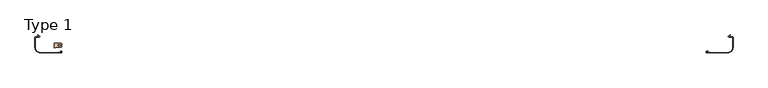
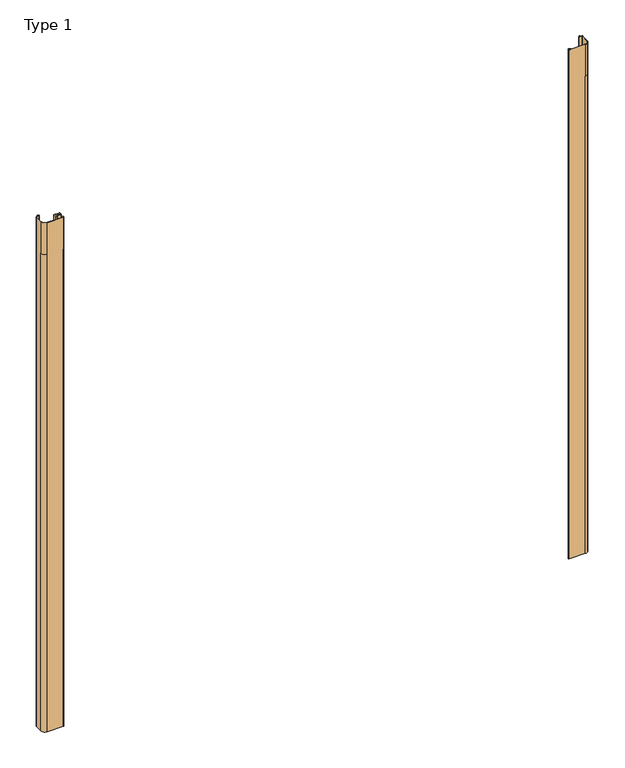
"""IFC4 building model written with IfcOpenShell, lengths in millimetres: door geometry, Type 1."""

from ifc_helpers import new_model, si_unit, frame, origin, place, context, project, spatial, polyline, circle_curve, source, transform, mapped, element, save
from ifc_brep_helpers import plane_surface, cylinder_surface, revolved_surface, advanced_brep


def type_1_51d02d26(model_context):
    return source(origin(), model_context, "Body", "AdvancedBrep", [
        advanced_brep(
        [(-1500.0, -167.0, 0.0), (-1500.0, -169.5, 0.0), (-1505.0, -174.5, 0.0), (-1525.3, -174.5, 0.0), (-1526.3, -173.5, 0.0), (-1526.3, -171.35, 0.0), (-1529.0, -171.35, 0.0), (-1529.0, -174.5, 0.0), (-1530.0, -175.5, 0.0), (-1534.0, -175.5, 0.0), (-1535.0, -174.5, 0.0), (-1535.0, -155.5, 0.0), (-1534.0, -154.5, 0.0), (-1530.0, -154.5, 0.0), (-1529.0, -155.5, 0.0), (-1529.0, -158.65, 0.0), (-1526.3, -158.65, 0.0), (-1526.3, -156.5, 0.0), (-1525.3, -155.5, 0.0), (-1505.0, -155.5, 0.0), (-1500.0, -160.5, 0.0), (-1500.0, -163.0, 0.0), (-1504.1, -163.0, 0.0), (-1505.1, -160.65, 0.0), (-1516.6, -160.65, 0.0), (-1518.6, -162.65, 0.0), (-1518.6, -167.35, 0.0), (-1516.6, -169.35, 0.0), (-1505.1, -169.35, 0.0), (-1504.1, -167.0, 0.0), (-1500.0, -167.0, 3200.0), (-1500.0, -169.5, 3200.0), (-1500.0, -169.5, 3000.0), (-1505.0, -174.5, 3000.0), (-1505.0, -174.5, 3200.0), (-1525.3, -174.5, 3200.0), (-1525.3, -174.5, 3000.0), (-1526.3, -173.5, 3000.0), (-1526.3, -173.5, 3200.0), (-1526.3, -171.35, 3200.0), (-1526.3, -171.35, 3000.0), (-1529.0, -171.35, 3000.0), (-1529.0, -171.35, 3200.0), (-1529.0, -174.5, 3200.0), (-1529.0, -174.5, 3000.0), (-1530.0, -175.5, 3000.0), (-1530.0, -175.5, 3200.0), (-1534.0, -175.5, 3200.0), (-1534.0, -175.5, 3000.0), (-1535.0, -174.5, 3000.0), (-1535.0, -174.5, 3200.0), (-1535.0, -155.5, 3200.0), (-1535.0, -155.5, 3000.0), (-1534.0, -154.5, 3000.0), (-1534.0, -154.5, 3200.0), (-1530.0, -154.5, 3200.0), (-1530.0, -154.5, 3000.0), (-1529.0, -155.5, 3000.0), (-1529.0, -155.5, 3200.0), (-1529.0, -158.65, 3200.0), (-1529.0, -158.65, 3000.0), (-1526.3, -158.65, 3000.0), (-1526.3, -158.65, 3200.0), (-1526.3, -156.5, 3200.0), (-1526.3, -156.5, 3000.0), (-1525.3, -155.5, 3000.0), (-1525.3, -155.5, 3200.0), (-1505.0, -155.5, 3200.0), (-1505.0, -155.5, 3000.0), (-1500.0, -160.5, 3000.0), (-1500.0, -160.5, 3200.0), (-1500.0, -163.0, 3200.0), (-1504.1, -163.0, 3200.0), (-1505.1, -160.65, 3200.0), (-1516.6, -160.65, 3200.0), (-1516.6, -160.65, 3000.0), (-1518.6, -162.65, 3000.0), (-1518.6, -162.65, 3200.0), (-1518.6, -167.35, 3200.0), (-1518.6, -167.35, 3000.0), (-1516.6, -169.35, 3000.0), (-1516.6, -169.35, 3200.0), (-1505.1, -169.35, 3200.0), (-1504.1, -167.0, 3200.0)],
        [
            (0, 1),
            (1, 2, circle_curve(frame((-1505.0, -169.5, 0.0), z_axis=(0.0, 0.0, -1.0), x_axis=(0.0, -1.0, 0.0)), 5.0)),
            (2, 3),
            (3, 4, circle_curve(frame((-1525.3, -173.5, 0.0), z_axis=(0.0, 0.0, -1.0), x_axis=(0.0, -1.0, 0.0)), 1.0)),
            (4, 5),
            (5, 6, circle_curve(frame((-1527.65, -171.35, 0.0), z_axis=(0.0, 0.0, 1.0), x_axis=(0.0, -1.0, 0.0)), 1.35)),
            (6, 7),
            (7, 8, circle_curve(frame((-1530.0, -174.5, 0.0), z_axis=(0.0, 0.0, -1.0), x_axis=(0.0, -1.0, 0.0)), 1.0)),
            (8, 9),
            (9, 10, circle_curve(frame((-1534.0, -174.5, 0.0), z_axis=(0.0, 0.0, -1.0), x_axis=(0.0, -1.0, 0.0)), 1.0)),
            (10, 11),
            (11, 12, circle_curve(frame((-1534.0, -155.5, 0.0), z_axis=(0.0, 0.0, -1.0), x_axis=(0.0, -1.0, 0.0)), 1.0)),
            (12, 13),
            (13, 14, circle_curve(frame((-1530.0, -155.5, 0.0), z_axis=(0.0, 0.0, -1.0), x_axis=(0.0, -1.0, 0.0)), 1.0)),
            (14, 15),
            (15, 16, circle_curve(frame((-1527.65, -158.65, 0.0), z_axis=(0.0, 0.0, 1.0), x_axis=(0.0, -1.0, 0.0)), 1.35)),
            (16, 17),
            (17, 18, circle_curve(frame((-1525.3, -156.5, 0.0), z_axis=(0.0, 0.0, -1.0), x_axis=(0.0, -1.0, 0.0)), 1.0)),
            (18, 19),
            (19, 20, circle_curve(frame((-1505.0, -160.5, 0.0), z_axis=(0.0, 0.0, -1.0), x_axis=(0.0, -1.0, 0.0)), 5.0)),
            (20, 21),
            (21, 22),
            (22, 23),
            (23, 24),
            (24, 25, circle_curve(frame((-1516.6, -162.65, 0.0), z_axis=(0.0, 0.0, 1.0), x_axis=(0.0, -1.0, 0.0)), 2.0)),
            (25, 26),
            (26, 27, circle_curve(frame((-1516.6, -167.35, 0.0), z_axis=(0.0, 0.0, 1.0), x_axis=(0.0, -1.0, 0.0)), 2.0)),
            (27, 28),
            (28, 29),
            (29, 0),
            (0, 30),
            (30, 31),
            (31, 32),
            (32, 1),
            (32, 33, circle_curve(frame((-1505.0, -169.5, 3000.0), z_axis=(0.0, 0.0, -1.0), x_axis=(0.0, -1.0, 0.0)), 5.0)),
            (33, 2),
            (33, 34),
            (34, 35),
            (35, 36),
            (36, 3),
            (36, 37, circle_curve(frame((-1525.3, -173.5, 3000.0), z_axis=(0.0, 0.0, -1.0), x_axis=(0.0, -1.0, 0.0)), 1.0)),
            (37, 4),
            (37, 38),
            (38, 39),
            (39, 40),
            (40, 5),
            (40, 41, circle_curve(frame((-1527.65, -171.35, 3000.0), z_axis=(0.0, 0.0, 1.0), x_axis=(0.0, -1.0, 0.0)), 1.35)),
            (41, 6),
            (41, 42),
            (42, 43),
            (43, 44),
            (44, 7),
            (44, 45, circle_curve(frame((-1530.0, -174.5, 3000.0), z_axis=(0.0, 0.0, -1.0), x_axis=(0.0, -1.0, 0.0)), 1.0)),
            (45, 8),
            (45, 46),
            (46, 47),
            (47, 48),
            (48, 9),
            (48, 49, circle_curve(frame((-1534.0, -174.5, 3000.0), z_axis=(0.0, 0.0, -1.0), x_axis=(0.0, -1.0, 0.0)), 1.0)),
            (49, 10),
            (49, 50),
            (50, 51),
            (51, 52),
            (52, 11),
            (52, 53, circle_curve(frame((-1534.0, -155.5, 3000.0), z_axis=(0.0, 0.0, -1.0), x_axis=(0.0, -1.0, 0.0)), 1.0)),
            (53, 12),
            (53, 54),
            (54, 55),
            (55, 56),
            (56, 13),
            (56, 57, circle_curve(frame((-1530.0, -155.5, 3000.0), z_axis=(0.0, 0.0, -1.0), x_axis=(0.0, -1.0, 0.0)), 1.0)),
            (57, 14),
            (57, 58),
            (58, 59),
            (59, 60),
            (60, 15),
            (60, 61, circle_curve(frame((-1527.65, -158.65, 3000.0), z_axis=(0.0, 0.0, 1.0), x_axis=(0.0, -1.0, 0.0)), 1.35)),
            (61, 16),
            (61, 62),
            (62, 63),
            (63, 64),
            (64, 17),
            (64, 65, circle_curve(frame((-1525.3, -156.5, 3000.0), z_axis=(0.0, 0.0, -1.0), x_axis=(0.0, -1.0, 0.0)), 1.0)),
            (65, 18),
            (65, 66),
            (66, 67),
            (67, 68),
            (68, 19),
            (68, 69, circle_curve(frame((-1505.0, -160.5, 3000.0), z_axis=(0.0, 0.0, -1.0), x_axis=(0.0, -1.0, 0.0)), 5.0)),
            (69, 20),
            (69, 70),
            (70, 71),
            (71, 21),
            (71, 72),
            (72, 22),
            (72, 73),
            (73, 23),
            (73, 74),
            (74, 75),
            (75, 24),
            (75, 76, circle_curve(frame((-1516.6, -162.65, 3000.0), z_axis=(0.0, 0.0, 1.0), x_axis=(0.0, -1.0, 0.0)), 2.0)),
            (76, 25),
            (76, 77),
            (77, 78),
            (78, 79),
            (79, 26),
            (79, 80, circle_curve(frame((-1516.6, -167.35, 3000.0), z_axis=(0.0, 0.0, 1.0), x_axis=(0.0, -1.0, 0.0)), 2.0)),
            (80, 27),
            (80, 81),
            (81, 82),
            (82, 28),
            (82, 83),
            (83, 29),
            (83, 30),
            (34, 31, circle_curve(frame((-1505.0, -169.5, 3200.0), z_axis=(0.0, 0.0, 1.0), x_axis=(0.0, -1.0, 0.0)), 5.0)),
            (81, 78, circle_curve(frame((-1516.6, -167.35, 3200.0), z_axis=(0.0, 0.0, -1.0), x_axis=(0.0, -1.0, 0.0)), 2.0)),
            (77, 74, circle_curve(frame((-1516.6, -162.65, 3200.0), z_axis=(0.0, 0.0, -1.0), x_axis=(0.0, -1.0, 0.0)), 2.0)),
            (70, 67, circle_curve(frame((-1505.0, -160.5, 3200.0), z_axis=(0.0, 0.0, 1.0), x_axis=(0.0, -1.0, 0.0)), 5.0)),
            (66, 63, circle_curve(frame((-1525.3, -156.5, 3200.0), z_axis=(0.0, 0.0, 1.0), x_axis=(0.0, -1.0, 0.0)), 1.0)),
            (62, 59, circle_curve(frame((-1527.65, -158.65, 3200.0), z_axis=(0.0, 0.0, -1.0), x_axis=(0.0, -1.0, 0.0)), 1.35)),
            (58, 55, circle_curve(frame((-1530.0, -155.5, 3200.0), z_axis=(0.0, 0.0, 1.0), x_axis=(0.0, -1.0, 0.0)), 1.0)),
            (54, 51, circle_curve(frame((-1534.0, -155.5, 3200.0), z_axis=(0.0, 0.0, 1.0), x_axis=(0.0, -1.0, 0.0)), 1.0)),
            (50, 47, circle_curve(frame((-1534.0, -174.5, 3200.0), z_axis=(0.0, 0.0, 1.0), x_axis=(0.0, -1.0, 0.0)), 1.0)),
            (46, 43, circle_curve(frame((-1530.0, -174.5, 3200.0), z_axis=(0.0, 0.0, 1.0), x_axis=(0.0, -1.0, 0.0)), 1.0)),
            (42, 39, circle_curve(frame((-1527.65, -171.35, 3200.0), z_axis=(0.0, 0.0, -1.0), x_axis=(0.0, -1.0, 0.0)), 1.35)),
            (38, 35, circle_curve(frame((-1525.3, -173.5, 3200.0), z_axis=(0.0, 0.0, 1.0), x_axis=(0.0, -1.0, 0.0)), 1.0)),
        ],
        [
            plane_surface(frame((-1500.0, -100.0, 0.0), z_axis=(0.0, 0.0, -1.0), x_axis=(1.0, 0.0, 0.0))),
            plane_surface(frame((-1500.0, -167.0, 0.0), z_axis=(1.0, 0.0, 0.0), x_axis=(0.0, 0.0, 1.0))),
            cylinder_surface(frame((-1505.0, -169.5, 0.0), z_axis=(0.0, 0.0, -1.0), x_axis=(0.0, -1.0, 0.0)), 5.0),
            plane_surface(frame((-1505.0, -174.5, 0.0), z_axis=(0.0, -1.0, 0.0), x_axis=(0.0, 0.0, 1.0))),
            cylinder_surface(frame((-1525.3, -173.5, 0.0), z_axis=(0.0, 0.0, -1.0), x_axis=(0.0, -1.0, 0.0)), 1.0),
            plane_surface(frame((-1526.3, -173.5, 0.0), z_axis=(-1.0, 0.0, 0.0), x_axis=(0.0, 0.0, 1.0))),
            revolved_surface(polyline([(-1527.65, -172.7, 3000.0), (-1527.65, -172.7, 0.0)]), (-1527.65, -171.35, 0.0), (0.0, 0.0, 1.0)),
            plane_surface(frame((-1529.0, -171.35, 0.0), z_axis=(1.0, 0.0, 0.0), x_axis=(0.0, 0.0, 1.0))),
            cylinder_surface(frame((-1530.0, -174.5, 0.0), z_axis=(0.0, 0.0, -1.0), x_axis=(0.0, -1.0, 0.0)), 1.0),
            plane_surface(frame((-1530.0, -175.5, 0.0), z_axis=(0.0, -1.0, 0.0), x_axis=(0.0, 0.0, 1.0))),
            cylinder_surface(frame((-1534.0, -174.5, 0.0), z_axis=(0.0, 0.0, -1.0), x_axis=(0.0, -1.0, 0.0)), 1.0),
            plane_surface(frame((-1535.0, -174.5, 0.0), z_axis=(-1.0, 0.0, 0.0), x_axis=(0.0, 0.0, 1.0))),
            cylinder_surface(frame((-1534.0, -155.5, 0.0), z_axis=(0.0, 0.0, -1.0), x_axis=(0.0, -1.0, 0.0)), 1.0),
            plane_surface(frame((-1534.0, -154.5, 0.0), z_axis=(0.0, 1.0, 0.0), x_axis=(0.0, 0.0, 1.0))),
            cylinder_surface(frame((-1530.0, -155.5, 0.0), z_axis=(0.0, 0.0, -1.0), x_axis=(0.0, -1.0, 0.0)), 1.0),
            plane_surface(frame((-1529.0, -155.5, 0.0), z_axis=(1.0, 0.0, 0.0), x_axis=(0.0, 0.0, 1.0))),
            revolved_surface(polyline([(-1527.65, -160.0, 3000.0), (-1527.65, -160.0, 0.0)]), (-1527.65, -158.65, 0.0), (0.0, 0.0, 1.0)),
            plane_surface(frame((-1526.3, -158.65, 0.0), z_axis=(-1.0, 0.0, 0.0), x_axis=(0.0, 0.0, 1.0))),
            cylinder_surface(frame((-1525.3, -156.5, 0.0), z_axis=(0.0, 0.0, -1.0), x_axis=(0.0, -1.0, 0.0)), 1.0),
            plane_surface(frame((-1525.3, -155.5, 0.0), z_axis=(0.0, 1.0, 0.0), x_axis=(0.0, 0.0, 1.0))),
            cylinder_surface(frame((-1505.0, -160.5, 0.0), z_axis=(0.0, 0.0, -1.0), x_axis=(0.0, -1.0, 0.0)), 5.0),
            plane_surface(frame((-1500.0, -160.5, 0.0), z_axis=(1.0, 0.0, 0.0), x_axis=(0.0, 0.0, 1.0))),
            plane_surface(frame((-1500.0, -163.0, 0.0), z_axis=(0.0, -1.0, 0.0), x_axis=(0.0, 0.0, 1.0))),
            plane_surface(frame((-1504.1, -163.0, 0.0), z_axis=(-0.9201546356295455, -0.3915551640949951, 0.0), x_axis=(0.0, 0.0, 1.0))),
            plane_surface(frame((-1505.1, -160.65, 0.0), z_axis=(0.0, -1.0, 0.0), x_axis=(0.0, 0.0, 1.0))),
            revolved_surface(polyline([(-1516.6, -164.65, 3000.0), (-1516.6, -164.65, 0.0)]), (-1516.6, -162.65, 0.0), (0.0, 0.0, 1.0)),
            plane_surface(frame((-1518.6, -162.65, 0.0), z_axis=(1.0, 0.0, 0.0), x_axis=(0.0, 0.0, 1.0))),
            revolved_surface(polyline([(-1516.6, -169.35, 3000.0), (-1516.6, -169.35, 0.0)]), (-1516.6, -167.35, 0.0), (0.0, 0.0, 1.0)),
            plane_surface(frame((-1516.6, -169.35, 0.0), z_axis=(0.0, 1.0, 0.0), x_axis=(0.0, 0.0, 1.0))),
            plane_surface(frame((-1505.1, -169.35, 0.0), z_axis=(-0.9201546356276765, 0.391555164099387, 0.0), x_axis=(0.0, 0.0, 1.0))),
            plane_surface(frame((-1504.1, -167.0, 0.0), z_axis=(0.0, 1.0, 0.0), x_axis=(0.0, 0.0, 1.0))),
            plane_surface(frame((-1525.3, -174.5, 3200.0), z_axis=(0.0, 0.0, 1.0), x_axis=(1.0, 0.0, 0.0))),
            cylinder_surface(frame((-1505.0, -169.5, 3200.0), z_axis=(0.0, 0.0, -1.0), x_axis=(0.0, -1.0, 0.0)), 5.0),
            cylinder_surface(frame((-1525.3, -173.5, 3200.0), z_axis=(0.0, 0.0, -1.0), x_axis=(0.0, -1.0, 0.0)), 1.0),
            revolved_surface(polyline([(-1527.65, -172.7, 3200.0), (-1527.65, -172.7, 3000.0)]), (-1527.65, -171.35, 3200.0), (0.0, 0.0, 1.0)),
            cylinder_surface(frame((-1530.0, -174.5, 3200.0), z_axis=(0.0, 0.0, -1.0), x_axis=(0.0, -1.0, 0.0)), 1.0),
            cylinder_surface(frame((-1534.0, -174.5, 3200.0), z_axis=(0.0, 0.0, -1.0), x_axis=(0.0, -1.0, 0.0)), 1.0),
            cylinder_surface(frame((-1534.0, -155.5, 3200.0), z_axis=(0.0, 0.0, -1.0), x_axis=(0.0, -1.0, 0.0)), 1.0),
            cylinder_surface(frame((-1530.0, -155.5, 3200.0), z_axis=(0.0, 0.0, -1.0), x_axis=(0.0, -1.0, 0.0)), 1.0),
            revolved_surface(polyline([(-1527.65, -160.0, 3200.0), (-1527.65, -160.0, 3000.0)]), (-1527.65, -158.65, 3200.0), (0.0, 0.0, 1.0)),
            cylinder_surface(frame((-1525.3, -156.5, 3200.0), z_axis=(0.0, 0.0, -1.0), x_axis=(0.0, -1.0, 0.0)), 1.0),
            cylinder_surface(frame((-1505.0, -160.5, 3200.0), z_axis=(0.0, 0.0, -1.0), x_axis=(0.0, -1.0, 0.0)), 5.0),
            revolved_surface(polyline([(-1516.6, -164.65, 3200.0), (-1516.6, -164.65, 3000.0)]), (-1516.6, -162.65, 3200.0), (0.0, 0.0, 1.0)),
            revolved_surface(polyline([(-1516.6, -169.35, 3200.0), (-1516.6, -169.35, 3000.0)]), (-1516.6, -167.35, 3200.0), (0.0, 0.0, 1.0)),
        ],
        [
            (0, [[1, 2, 3, 4, 5, 6, 7, 8, 9, 10, 11, 12, 13, 14, 15, 16, 17, 18, 19, 20, 21, 22, 23, 24, 25, 26, 27, 28, 29, 30]]),
            (1, [[-1, 31, 32, 33, 34]]),
            (2, [[-2, -34, 35, 36]]),
            (3, [[-3, -36, 37, 38, 39, 40]]),
            (4, [[-4, -40, 41, 42]]),
            (5, [[-5, -42, 43, 44, 45, 46]]),
            (6, [[-6, -46, 47, 48]]),
            (7, [[-7, -48, 49, 50, 51, 52]]),
            (8, [[-8, -52, 53, 54]]),
            (9, [[-9, -54, 55, 56, 57, 58]]),
            (10, [[-10, -58, 59, 60]]),
            (11, [[-11, -60, 61, 62, 63, 64]]),
            (12, [[-12, -64, 65, 66]]),
            (13, [[-13, -66, 67, 68, 69, 70]]),
            (14, [[-14, -70, 71, 72]]),
            (15, [[-15, -72, 73, 74, 75, 76]]),
            (16, [[-16, -76, 77, 78]]),
            (17, [[-17, -78, 79, 80, 81, 82]]),
            (18, [[-18, -82, 83, 84]]),
            (19, [[-19, -84, 85, 86, 87, 88]]),
            (20, [[-20, -88, 89, 90]]),
            (21, [[-21, -90, 91, 92, 93]]),
            (22, [[-22, -93, 94, 95]]),
            (23, [[-23, -95, 96, 97]]),
            (24, [[-24, -97, 98, 99, 100]]),
            (25, [[-25, -100, 101, 102]]),
            (26, [[-26, -102, 103, 104, 105, 106]]),
            (27, [[-27, -106, 107, 108]]),
            (28, [[-28, -108, 109, 110, 111]]),
            (29, [[-29, -111, 112, 113]]),
            (30, [[-31, -30, -113, 114]]),
            (31, [[115, -32, -114, -112, -110, 116, -104, 117, -98, -96, -94, -92, 118, -86, 119, -80, 120, -74, 121, -68, 122, -62, 123, -56, 124, -50, 125, -44, 126, -38]]),
            (32, [[-115, -37, -35, -33]]),
            (33, [[-126, -43, -41, -39]]),
            (34, [[-125, -49, -47, -45]]),
            (35, [[-124, -55, -53, -51]]),
            (36, [[-123, -61, -59, -57]]),
            (37, [[-122, -67, -65, -63]]),
            (38, [[-121, -73, -71, -69]]),
            (39, [[-120, -79, -77, -75]]),
            (40, [[-119, -85, -83, -81]]),
            (41, [[-118, -91, -89, -87]]),
            (42, [[-117, -103, -101, -99]]),
            (43, [[-116, -109, -107, -105]]),
        ],
    ),
        advanced_brep(
        [(-1516.949047, -196.0605121, 0.0), (-1505.1730101, -191.8497259, 0.0), (-1500.0, -195.2, 0.0), (-1500.0, -196.2, 0.0), (-1503.8, -200.0, 0.0), (-1600.0, -200.0, 0.0), (-1625.0, -175.0, 0.0), (-1625.0, -129.0, 0.0), (-1621.0, -125.0, 0.0), (-1605.204664, -125.0, 0.0), (-1604.8832702, -124.1169778, 0.0), (-1612.7169965, -117.5437009, 0.0), (-1611.7528151, -116.3946342, 0.0), (-1603.9190887, -122.9679111, 0.0), (-1605.204664, -126.5, 0.0), (-1621.0, -126.5, 0.0), (-1623.5, -129.0, 0.0), (-1623.5, -175.0, 0.0), (-1600.0, -198.5, 0.0), (-1503.87, -198.5, 0.0), (-1501.5, -196.13, 0.0), (-1501.5, -195.2, 0.0), (-1504.6679674, -193.2621464, 0.0), (-1516.4440043, -197.4729327, 0.0), (-1516.949047, -196.0605121, 3200.0), (-1505.1730101, -191.8497259, 3200.0), (-1505.1730101, -191.8497259, 3000.0), (-1500.0, -195.2, 3000.0), (-1500.0, -195.2, 3200.0), (-1500.0, -196.2, 3200.0), (-1500.0, -196.2, 3000.0), (-1503.8, -200.0, 3000.0), (-1503.8, -200.0, 3200.0), (-1600.0, -200.0, 3200.0), (-1600.0, -200.0, 3000.0), (-1625.0, -175.0, 3000.0), (-1625.0, -175.0, 3200.0), (-1625.0, -129.0, 3200.0), (-1625.0, -129.0, 3000.0), (-1621.0, -125.0, 3000.0), (-1621.0, -125.0, 3200.0), (-1605.204664, -125.0, 3200.0), (-1605.204664, -125.0, 3000.0), (-1604.8832702, -124.1169778, 3000.0), (-1604.8832702, -124.1169778, 3200.0), (-1612.7169965, -117.5437009, 3200.0), (-1611.7528151, -116.3946342, 3200.0), (-1603.9190887, -122.9679111, 3200.0), (-1603.9190887, -122.9679111, 3000.0), (-1605.204664, -126.5, 3000.0), (-1605.204664, -126.5, 3200.0), (-1621.0, -126.5, 3200.0), (-1621.0, -126.5, 3000.0), (-1623.5, -129.0, 3000.0), (-1623.5, -129.0, 3200.0), (-1623.5, -175.0, 3200.0), (-1623.5, -175.0, 3000.0), (-1600.0, -198.5, 3000.0), (-1600.0, -198.5, 3200.0), (-1503.87, -198.5, 3200.0), (-1503.87, -198.5, 3000.0), (-1501.5, -196.13, 3000.0), (-1501.5, -196.13, 3200.0), (-1501.5, -195.2, 3200.0), (-1501.5, -195.2, 3000.0), (-1504.6679674, -193.2621464, 3000.0), (-1504.6679674, -193.2621464, 3200.0), (-1516.4440043, -197.4729327, 3200.0)],
        [
            (0, 1),
            (1, 2, circle_curve(frame((-1503.8670328, -195.5020692, 0.0), z_axis=(0.0, 0.0, -1.0), x_axis=(0.0, -1.0, 0.0)), 3.8788128)),
            (2, 3),
            (3, 4, circle_curve(frame((-1503.8, -196.2, 0.0), z_axis=(0.0, 0.0, -1.0), x_axis=(0.0, -1.0, 0.0)), 3.8)),
            (4, 5),
            (5, 6, circle_curve(frame((-1600.0, -175.0, 0.0), z_axis=(0.0, 0.0, -1.0), x_axis=(0.0, -1.0, 0.0)), 25.0)),
            (6, 7),
            (7, 8, circle_curve(frame((-1621.0, -129.0, 0.0), z_axis=(0.0, 0.0, -1.0), x_axis=(0.0, -1.0, 0.0)), 4.0)),
            (8, 9),
            (9, 10, circle_curve(frame((-1605.204664, -124.5, 0.0), z_axis=(0.0, 0.0, 1.0), x_axis=(0.0, -1.0, 0.0)), 0.5)),
            (10, 11),
            (11, 12),
            (12, 13),
            (13, 14, circle_curve(frame((-1605.204664, -124.5, 0.0), z_axis=(0.0, 0.0, -1.0), x_axis=(0.0, -1.0, 0.0)), 2.0)),
            (14, 15),
            (15, 16, circle_curve(frame((-1621.0, -129.0, 0.0), z_axis=(0.0, 0.0, 1.0), x_axis=(0.0, -1.0, 0.0)), 2.5)),
            (16, 17),
            (17, 18, circle_curve(frame((-1600.0, -175.0, 0.0), z_axis=(0.0, 0.0, 1.0), x_axis=(0.0, -1.0, 0.0)), 23.5)),
            (18, 19),
            (19, 20, circle_curve(frame((-1503.87, -196.13, 0.0), z_axis=(0.0, 0.0, 1.0), x_axis=(0.0, -1.0, 0.0)), 2.37)),
            (20, 21),
            (21, 22, circle_curve(frame((-1503.8649751, -195.5078237, 0.0), z_axis=(0.0, 0.0, 1.0), x_axis=(0.0, -1.0, 0.0)), 2.3849241)),
            (22, 23),
            (23, 0),
            (0, 24),
            (24, 25),
            (25, 26),
            (26, 1),
            (26, 27, circle_curve(frame((-1503.8670328, -195.5020692, 3000.0), z_axis=(0.0, 0.0, -1.0), x_axis=(0.0, -1.0, 0.0)), 3.8788128)),
            (27, 2),
            (27, 28),
            (28, 29),
            (29, 30),
            (30, 3),
            (30, 31, circle_curve(frame((-1503.8, -196.2, 3000.0), z_axis=(0.0, 0.0, -1.0), x_axis=(0.0, -1.0, 0.0)), 3.8)),
            (31, 4),
            (31, 32),
            (32, 33),
            (33, 34),
            (34, 5),
            (34, 35, circle_curve(frame((-1600.0, -175.0, 3000.0), z_axis=(0.0, 0.0, -1.0), x_axis=(0.0, -1.0, 0.0)), 25.0)),
            (35, 6),
            (35, 36),
            (36, 37),
            (37, 38),
            (38, 7),
            (38, 39, circle_curve(frame((-1621.0, -129.0, 3000.0), z_axis=(0.0, 0.0, -1.0), x_axis=(0.0, -1.0, 0.0)), 4.0)),
            (39, 8),
            (39, 40),
            (40, 41),
            (41, 42),
            (42, 9),
            (42, 43, circle_curve(frame((-1605.204664, -124.5, 3000.0), z_axis=(0.0, 0.0, 1.0), x_axis=(0.0, -1.0, 0.0)), 0.5)),
            (43, 10),
            (43, 44),
            (44, 45),
            (45, 11),
            (45, 46),
            (46, 12),
            (46, 47),
            (47, 48),
            (48, 13),
            (48, 49, circle_curve(frame((-1605.204664, -124.5, 3000.0), z_axis=(0.0, 0.0, -1.0), x_axis=(0.0, -1.0, 0.0)), 2.0)),
            (49, 14),
            (49, 50),
            (50, 51),
            (51, 52),
            (52, 15),
            (52, 53, circle_curve(frame((-1621.0, -129.0, 3000.0), z_axis=(0.0, 0.0, 1.0), x_axis=(0.0, -1.0, 0.0)), 2.5)),
            (53, 16),
            (53, 54),
            (54, 55),
            (55, 56),
            (56, 17),
            (56, 57, circle_curve(frame((-1600.0, -175.0, 3000.0), z_axis=(0.0, 0.0, 1.0), x_axis=(0.0, -1.0, 0.0)), 23.5)),
            (57, 18),
            (57, 58),
            (58, 59),
            (59, 60),
            (60, 19),
            (60, 61, circle_curve(frame((-1503.87, -196.13, 3000.0), z_axis=(0.0, 0.0, 1.0), x_axis=(0.0, -1.0, 0.0)), 2.37)),
            (61, 20),
            (61, 62),
            (62, 63),
            (63, 64),
            (64, 21),
            (64, 65, circle_curve(frame((-1503.8649751, -195.5078237, 3000.0), z_axis=(0.0, 0.0, 1.0), x_axis=(0.0, -1.0, 0.0)), 2.3849241)),
            (65, 22),
            (65, 66),
            (66, 67),
            (67, 23),
            (67, 24),
            (36, 33, circle_curve(frame((-1600.0, -175.0, 3200.0), z_axis=(0.0, 0.0, 1.0), x_axis=(0.0, -1.0, 0.0)), 25.0)),
            (32, 29, circle_curve(frame((-1503.8, -196.2, 3200.0), z_axis=(0.0, 0.0, 1.0), x_axis=(0.0, -1.0, 0.0)), 3.8)),
            (28, 25, circle_curve(frame((-1503.8670328, -195.5020692, 3200.0), z_axis=(0.0, 0.0, 1.0), x_axis=(0.0, -1.0, 0.0)), 3.8788128)),
            (66, 63, circle_curve(frame((-1503.8649751, -195.5078237, 3200.0), z_axis=(0.0, 0.0, -1.0), x_axis=(0.0, -1.0, 0.0)), 2.3849241)),
            (62, 59, circle_curve(frame((-1503.87, -196.13, 3200.0), z_axis=(0.0, 0.0, -1.0), x_axis=(0.0, -1.0, 0.0)), 2.37)),
            (58, 55, circle_curve(frame((-1600.0, -175.0, 3200.0), z_axis=(0.0, 0.0, -1.0), x_axis=(0.0, -1.0, 0.0)), 23.5)),
            (54, 51, circle_curve(frame((-1621.0, -129.0, 3200.0), z_axis=(0.0, 0.0, -1.0), x_axis=(0.0, -1.0, 0.0)), 2.5)),
            (50, 47, circle_curve(frame((-1605.204664, -124.5, 3200.0), z_axis=(0.0, 0.0, 1.0), x_axis=(0.0, -1.0, 0.0)), 2.0)),
            (44, 41, circle_curve(frame((-1605.204664, -124.5, 3200.0), z_axis=(0.0, 0.0, -1.0), x_axis=(0.0, -1.0, 0.0)), 0.5)),
            (40, 37, circle_curve(frame((-1621.0, -129.0, 3200.0), z_axis=(0.0, 0.0, 1.0), x_axis=(0.0, -1.0, 0.0)), 4.0)),
        ],
        [
            plane_surface(frame((-1500.0, -100.0, 0.0), z_axis=(0.0, 0.0, -1.0), x_axis=(1.0, 0.0, 0.0))),
            plane_surface(frame((-1516.949047, -196.0605121, 0.0), z_axis=(-0.33669511755612597, 0.941613720064585, 0.0), x_axis=(0.0, 0.0, 1.0))),
            cylinder_surface(frame((-1503.8670328, -195.5020692, 0.0), z_axis=(0.0, 0.0, -1.0), x_axis=(0.0, -1.0, 0.0)), 3.8788128),
            plane_surface(frame((-1500.0, -195.2, 0.0), z_axis=(1.0, 0.0, 0.0), x_axis=(0.0, 0.0, 1.0))),
            cylinder_surface(frame((-1503.8, -196.2, 0.0), z_axis=(0.0, 0.0, -1.0), x_axis=(0.0, -1.0, 0.0)), 3.8),
            plane_surface(frame((-1503.8, -200.0, 0.0), z_axis=(0.0, -1.0, 0.0), x_axis=(0.0, 0.0, 1.0))),
            cylinder_surface(frame((-1600.0, -175.0, 0.0), z_axis=(0.0, 0.0, -1.0), x_axis=(0.0, -1.0, 0.0)), 25.0),
            plane_surface(frame((-1625.0, -175.0, 0.0), z_axis=(-1.0, 0.0, 0.0), x_axis=(0.0, 0.0, 1.0))),
            cylinder_surface(frame((-1621.0, -129.0, 0.0), z_axis=(0.0, 0.0, -1.0), x_axis=(0.0, -1.0, 0.0)), 4.0),
            plane_surface(frame((-1621.0, -125.0, 0.0), z_axis=(0.0, 1.0, 0.0), x_axis=(0.0, 0.0, 1.0))),
            revolved_surface(polyline([(-1605.204664, -125.0, 3000.0), (-1605.204664, -125.0, 0.0)]), (-1605.204664, -124.5, 0.0), (0.0, 0.0, 1.0)),
            plane_surface(frame((-1604.8832702, -124.1169778, 0.0), z_axis=(-0.6427876096861422, -0.7660444431193113, 0.0), x_axis=(0.0, 0.0, 1.0))),
            plane_surface(frame((-1612.7169965, -117.5437009, 0.0), z_axis=(-0.7660444431209198, 0.6427876096842253, 0.0), x_axis=(0.0, 0.0, 1.0))),
            plane_surface(frame((-1611.7528151, -116.3946342, 0.0), z_axis=(0.6427876096859558, 0.7660444431194677, 0.0), x_axis=(0.0, 0.0, 1.0))),
            cylinder_surface(frame((-1605.204664, -124.5, 0.0), z_axis=(0.0, 0.0, -1.0), x_axis=(0.0, -1.0, 0.0)), 2.0),
            plane_surface(frame((-1605.204664, -126.5, 0.0), z_axis=(0.0, -1.0, 0.0), x_axis=(0.0, 0.0, 1.0))),
            revolved_surface(polyline([(-1621.0, -131.5, 3000.0), (-1621.0, -131.5, 0.0)]), (-1621.0, -129.0, 0.0), (0.0, 0.0, 1.0)),
            plane_surface(frame((-1623.5, -129.0, 0.0), z_axis=(1.0, 0.0, 0.0), x_axis=(0.0, 0.0, 1.0))),
            revolved_surface(polyline([(-1600.0, -198.5, 3000.0), (-1600.0, -198.5, 0.0)]), (-1600.0, -175.0, 0.0), (0.0, 0.0, 1.0)),
            plane_surface(frame((-1600.0, -198.5, 0.0), z_axis=(0.0, 1.0, 0.0), x_axis=(0.0, 0.0, 1.0))),
            revolved_surface(polyline([(-1503.87, -198.5, 3000.0), (-1503.87, -198.5, 0.0)]), (-1503.87, -196.13, 0.0), (0.0, 0.0, 1.0)),
            plane_surface(frame((-1501.5, -196.13, 0.0), z_axis=(-1.0, 0.0, 0.0), x_axis=(0.0, 0.0, 1.0))),
            revolved_surface(polyline([(-1503.8649751, -197.8927478, 3000.0), (-1503.8649751, -197.8927478, 0.0)]), (-1503.8649751, -195.5078237, 0.0), (0.0, 0.0, 1.0)),
            plane_surface(frame((-1504.6679674, -193.2621464, 0.0), z_axis=(0.3366951175565575, -0.9416137200644307, 0.0), x_axis=(0.0, 0.0, 1.0))),
            plane_surface(frame((-1516.4440043, -197.4729327, 0.0), z_axis=(-0.9416137200718607, -0.3366951175357782, 0.0), x_axis=(0.0, 0.0, 1.0))),
            plane_surface(frame((-1625.0, -129.0, 3200.0), z_axis=(0.0, 0.0, 1.0), x_axis=(0.0, -1.0, 0.0))),
            cylinder_surface(frame((-1503.8670328, -195.5020692, 3200.0), z_axis=(0.0, 0.0, -1.0), x_axis=(0.0, -1.0, 0.0)), 3.8788128),
            cylinder_surface(frame((-1503.8, -196.2, 3200.0), z_axis=(0.0, 0.0, -1.0), x_axis=(0.0, -1.0, 0.0)), 3.8),
            cylinder_surface(frame((-1600.0, -175.0, 3200.0), z_axis=(0.0, 0.0, -1.0), x_axis=(0.0, -1.0, 0.0)), 25.0),
            cylinder_surface(frame((-1621.0, -129.0, 3200.0), z_axis=(0.0, 0.0, -1.0), x_axis=(0.0, -1.0, 0.0)), 4.0),
            revolved_surface(polyline([(-1605.204664, -125.0, 3200.0), (-1605.204664, -125.0, 3000.0)]), (-1605.204664, -124.5, 3200.0), (0.0, 0.0, 1.0)),
            cylinder_surface(frame((-1605.204664, -124.5, 3200.0), z_axis=(0.0, 0.0, -1.0), x_axis=(0.0, -1.0, 0.0)), 2.0),
            revolved_surface(polyline([(-1621.0, -131.5, 3200.0), (-1621.0, -131.5, 3000.0)]), (-1621.0, -129.0, 3200.0), (0.0, 0.0, 1.0)),
            revolved_surface(polyline([(-1600.0, -198.5, 3200.0), (-1600.0, -198.5, 3000.0)]), (-1600.0, -175.0, 3200.0), (0.0, 0.0, 1.0)),
            revolved_surface(polyline([(-1503.87, -198.5, 3200.0), (-1503.87, -198.5, 3000.0)]), (-1503.87, -196.13, 3200.0), (0.0, 0.0, 1.0)),
            revolved_surface(polyline([(-1503.8649751, -197.8927478, 3200.0), (-1503.8649751, -197.8927478, 3000.0)]), (-1503.8649751, -195.5078237, 3200.0), (0.0, 0.0, 1.0)),
        ],
        [
            (0, [[1, 2, 3, 4, 5, 6, 7, 8, 9, 10, 11, 12, 13, 14, 15, 16, 17, 18, 19, 20, 21, 22, 23, 24]]),
            (1, [[-1, 25, 26, 27, 28]]),
            (2, [[-2, -28, 29, 30]]),
            (3, [[-3, -30, 31, 32, 33, 34]]),
            (4, [[-4, -34, 35, 36]]),
            (5, [[-5, -36, 37, 38, 39, 40]]),
            (6, [[-6, -40, 41, 42]]),
            (7, [[-7, -42, 43, 44, 45, 46]]),
            (8, [[-8, -46, 47, 48]]),
            (9, [[-9, -48, 49, 50, 51, 52]]),
            (10, [[-10, -52, 53, 54]]),
            (11, [[-11, -54, 55, 56, 57]]),
            (12, [[-12, -57, 58, 59]]),
            (13, [[-13, -59, 60, 61, 62]]),
            (14, [[-14, -62, 63, 64]]),
            (15, [[-15, -64, 65, 66, 67, 68]]),
            (16, [[-16, -68, 69, 70]]),
            (17, [[-17, -70, 71, 72, 73, 74]]),
            (18, [[-18, -74, 75, 76]]),
            (19, [[-19, -76, 77, 78, 79, 80]]),
            (20, [[-20, -80, 81, 82]]),
            (21, [[-21, -82, 83, 84, 85, 86]]),
            (22, [[-22, -86, 87, 88]]),
            (23, [[-23, -88, 89, 90, 91]]),
            (24, [[-25, -24, -91, 92]]),
            (25, [[93, -38, 94, -32, 95, -26, -92, -90, 96, -84, 97, -78, 98, -72, 99, -66, 100, -60, -58, -56, 101, -50, 102, -44]]),
            (26, [[-95, -31, -29, -27]]),
            (27, [[-94, -37, -35, -33]]),
            (28, [[-93, -43, -41, -39]]),
            (29, [[-102, -49, -47, -45]]),
            (30, [[-101, -55, -53, -51]]),
            (31, [[-100, -65, -63, -61]]),
            (32, [[-99, -71, -69, -67]]),
            (33, [[-98, -77, -75, -73]]),
            (34, [[-97, -83, -81, -79]]),
            (35, [[-96, -89, -87, -85]]),
        ],
    ),
        advanced_brep(
        [(1500.0, -196.2, 0.0), (1500.0, -195.2, 0.0), (1505.1730101, -191.8497259, 0.0), (1516.949047, -196.0605121, 0.0), (1516.4440043, -197.4729327, 0.0), (1504.6679674, -193.2621464, 0.0), (1501.5, -195.2, 0.0), (1501.5, -196.13, 0.0), (1503.87, -198.5, 0.0), (1600.0, -198.5, 0.0), (1623.5, -175.0, 0.0), (1623.5, -129.0, 0.0), (1621.0, -126.5, 0.0), (1605.204664, -126.5, 0.0), (1603.9190887, -122.9679111, 0.0), (1611.7528151, -116.3946342, 0.0), (1612.7169965, -117.5437009, 0.0), (1604.8832702, -124.1169778, 0.0), (1605.204664, -125.0, 0.0), (1621.0, -125.0, 0.0), (1625.0, -129.0, 0.0), (1625.0, -175.0, 0.0), (1600.0, -200.0, 0.0), (1503.8, -200.0, 0.0), (1500.0, -196.2, 3000.0), (1500.0, -196.2, 3200.0), (1500.0, -195.2, 3200.0), (1500.0, -195.2, 3000.0), (1505.1730101, -191.8497259, 3000.0), (1505.1730101, -191.8497259, 3200.0), (1516.949047, -196.0605121, 3200.0), (1516.4440043, -197.4729327, 3200.0), (1504.6679674, -193.2621464, 3200.0), (1504.6679674, -193.2621464, 3000.0), (1501.5, -195.2, 3000.0), (1501.5, -195.2, 3200.0), (1501.5, -196.13, 3200.0), (1501.5, -196.13, 3000.0), (1503.87, -198.5, 3000.0), (1503.87, -198.5, 3200.0), (1600.0, -198.5, 3200.0), (1600.0, -198.5, 3000.0), (1623.5, -175.0, 3000.0), (1623.5, -175.0, 3200.0), (1623.5, -129.0, 3200.0), (1623.5, -129.0, 3000.0), (1621.0, -126.5, 3000.0), (1621.0, -126.5, 3200.0), (1605.204664, -126.5, 3200.0), (1605.204664, -126.5, 3000.0), (1603.9190887, -122.9679111, 3000.0), (1603.9190887, -122.9679111, 3200.0), (1611.7528151, -116.3946342, 3200.0), (1612.7169965, -117.5437009, 3200.0), (1604.8832702, -124.1169778, 3200.0), (1604.8832702, -124.1169778, 3000.0), (1605.204664, -125.0, 3000.0), (1605.204664, -125.0, 3200.0), (1621.0, -125.0, 3200.0), (1621.0, -125.0, 3000.0), (1625.0, -129.0, 3000.0), (1625.0, -129.0, 3200.0), (1625.0, -175.0, 3200.0), (1625.0, -175.0, 3000.0), (1600.0, -200.0, 3000.0), (1600.0, -200.0, 3200.0), (1503.8, -200.0, 3200.0), (1503.8, -200.0, 3000.0)],
        [
            (0, 1),
            (1, 2, circle_curve(frame((1503.8670328, -195.5020692, 0.0), z_axis=(0.0, 0.0, -1.0), x_axis=(-1.0, 0.0, 0.0)), 3.8788128)),
            (2, 3),
            (3, 4),
            (4, 5),
            (5, 6, circle_curve(frame((1503.8649751, -195.5078237, 0.0), z_axis=(0.0, 0.0, 1.0), x_axis=(-1.0, 0.0, 0.0)), 2.3849241)),
            (6, 7),
            (7, 8, circle_curve(frame((1503.87, -196.13, 0.0), z_axis=(0.0, 0.0, 1.0), x_axis=(-1.0, 0.0, 0.0)), 2.37)),
            (8, 9),
            (9, 10, circle_curve(frame((1600.0, -175.0, 0.0), z_axis=(0.0, 0.0, 1.0), x_axis=(-1.0, 0.0, 0.0)), 23.5)),
            (10, 11),
            (11, 12, circle_curve(frame((1621.0, -129.0, 0.0), z_axis=(0.0, 0.0, 1.0), x_axis=(-1.0, 0.0, 0.0)), 2.5)),
            (12, 13),
            (13, 14, circle_curve(frame((1605.204664, -124.5, 0.0), z_axis=(0.0, 0.0, -1.0), x_axis=(-1.0, 0.0, 0.0)), 2.0)),
            (14, 15),
            (15, 16),
            (16, 17),
            (17, 18, circle_curve(frame((1605.204664, -124.5, 0.0), z_axis=(0.0, 0.0, 1.0), x_axis=(-1.0, 0.0, 0.0)), 0.5)),
            (18, 19),
            (19, 20, circle_curve(frame((1621.0, -129.0, 0.0), z_axis=(0.0, 0.0, -1.0), x_axis=(-1.0, 0.0, 0.0)), 4.0)),
            (20, 21),
            (21, 22, circle_curve(frame((1600.0, -175.0, 0.0), z_axis=(0.0, 0.0, -1.0), x_axis=(-1.0, 0.0, 0.0)), 25.0)),
            (22, 23),
            (23, 0, circle_curve(frame((1503.8, -196.2, 0.0), z_axis=(0.0, 0.0, -1.0), x_axis=(-1.0, 0.0, 0.0)), 3.8)),
            (0, 24),
            (24, 25),
            (25, 26),
            (26, 27),
            (27, 1),
            (27, 28, circle_curve(frame((1503.8670328, -195.5020692, 3000.0), z_axis=(0.0, 0.0, -1.0), x_axis=(-1.0, 0.0, 0.0)), 3.8788128)),
            (28, 2),
            (28, 29),
            (29, 30),
            (30, 3),
            (30, 31),
            (31, 4),
            (31, 32),
            (32, 33),
            (33, 5),
            (33, 34, circle_curve(frame((1503.8649751, -195.5078237, 3000.0), z_axis=(0.0, 0.0, 1.0), x_axis=(-1.0, 0.0, 0.0)), 2.3849241)),
            (34, 6),
            (34, 35),
            (35, 36),
            (36, 37),
            (37, 7),
            (37, 38, circle_curve(frame((1503.87, -196.13, 3000.0), z_axis=(0.0, 0.0, 1.0), x_axis=(-1.0, 0.0, 0.0)), 2.37)),
            (38, 8),
            (38, 39),
            (39, 40),
            (40, 41),
            (41, 9),
            (41, 42, circle_curve(frame((1600.0, -175.0, 3000.0), z_axis=(0.0, 0.0, 1.0), x_axis=(-1.0, 0.0, 0.0)), 23.5)),
            (42, 10),
            (42, 43),
            (43, 44),
            (44, 45),
            (45, 11),
            (45, 46, circle_curve(frame((1621.0, -129.0, 3000.0), z_axis=(0.0, 0.0, 1.0), x_axis=(-1.0, 0.0, 0.0)), 2.5)),
            (46, 12),
            (46, 47),
            (47, 48),
            (48, 49),
            (49, 13),
            (49, 50, circle_curve(frame((1605.204664, -124.5, 3000.0), z_axis=(0.0, 0.0, -1.0), x_axis=(-1.0, 0.0, 0.0)), 2.0)),
            (50, 14),
            (50, 51),
            (51, 52),
            (52, 15),
            (52, 53),
            (53, 16),
            (53, 54),
            (54, 55),
            (55, 17),
            (55, 56, circle_curve(frame((1605.204664, -124.5, 3000.0), z_axis=(0.0, 0.0, 1.0), x_axis=(-1.0, 0.0, 0.0)), 0.5)),
            (56, 18),
            (56, 57),
            (57, 58),
            (58, 59),
            (59, 19),
            (59, 60, circle_curve(frame((1621.0, -129.0, 3000.0), z_axis=(0.0, 0.0, -1.0), x_axis=(-1.0, 0.0, 0.0)), 4.0)),
            (60, 20),
            (60, 61),
            (61, 62),
            (62, 63),
            (63, 21),
            (63, 64, circle_curve(frame((1600.0, -175.0, 3000.0), z_axis=(0.0, 0.0, -1.0), x_axis=(-1.0, 0.0, 0.0)), 25.0)),
            (64, 22),
            (64, 65),
            (65, 66),
            (66, 67),
            (67, 23),
            (67, 24, circle_curve(frame((1503.8, -196.2, 3000.0), z_axis=(0.0, 0.0, -1.0), x_axis=(-1.0, 0.0, 0.0)), 3.8)),
            (66, 25, circle_curve(frame((1503.8, -196.2, 3200.0), z_axis=(0.0, 0.0, -1.0), x_axis=(0.0, -1.0, 0.0)), 3.8)),
            (62, 65, circle_curve(frame((1600.0, -175.0, 3200.0), z_axis=(0.0, 0.0, -1.0), x_axis=(0.0, -1.0, 0.0)), 25.0)),
            (61, 58, circle_curve(frame((1621.0, -129.0, 3200.0), z_axis=(0.0, 0.0, 1.0), x_axis=(0.0, -1.0, 0.0)), 4.0)),
            (57, 54, circle_curve(frame((1605.204664, -124.5, 3200.0), z_axis=(0.0, 0.0, -1.0), x_axis=(0.0, -1.0, 0.0)), 0.5)),
            (51, 48, circle_curve(frame((1605.204664, -124.5, 3200.0), z_axis=(0.0, 0.0, 1.0), x_axis=(0.0, -1.0, 0.0)), 2.0)),
            (47, 44, circle_curve(frame((1621.0, -129.0, 3200.0), z_axis=(0.0, 0.0, -1.0), x_axis=(0.0, -1.0, 0.0)), 2.5)),
            (43, 40, circle_curve(frame((1600.0, -175.0, 3200.0), z_axis=(0.0, 0.0, -1.0), x_axis=(0.0, -1.0, 0.0)), 23.5)),
            (39, 36, circle_curve(frame((1503.87, -196.13, 3200.0), z_axis=(0.0, 0.0, -1.0), x_axis=(0.0, -1.0, 0.0)), 2.37)),
            (35, 32, circle_curve(frame((1503.8649751, -195.5078237, 3200.0), z_axis=(0.0, 0.0, -1.0), x_axis=(0.0, -1.0, 0.0)), 2.3849241)),
            (29, 26, circle_curve(frame((1503.8670328, -195.5020692, 3200.0), z_axis=(0.0, 0.0, 1.0), x_axis=(0.0, -1.0, 0.0)), 3.8788128)),
        ],
        [
            plane_surface(frame((1500.0, -100.0, 0.0), z_axis=(0.0, 0.0, -1.0), x_axis=(-1.0, 0.0, 0.0))),
            plane_surface(frame((1500.0, -195.2, 3000.0), z_axis=(-1.0, 0.0, 0.0), x_axis=(0.0, 0.0, -1.0))),
            cylinder_surface(frame((1503.8670328, -195.5020692, 3000.0), z_axis=(0.0, 0.0, 1.0), x_axis=(-1.0, 0.0, 0.0)), 3.8788128),
            plane_surface(frame((1516.949047, -196.0605121, 3000.0), z_axis=(0.3366951175565817, 0.941613720064422, 0.0), x_axis=(0.0, 0.0, -1.0))),
            plane_surface(frame((1516.4440043, -197.4729327, 3000.0), z_axis=(0.9416137200718547, -0.3366951175357952, 0.0), x_axis=(0.0, 0.0, -1.0))),
            plane_surface(frame((1504.6679674, -193.2621464, 3000.0), z_axis=(-0.3366951175565773, -0.9416137200644237, 0.0), x_axis=(0.0, 0.0, -1.0))),
            revolved_surface(polyline([(1501.480051, -195.5078237, 0.0), (1501.480051, -195.5078237, 3000.0)]), (1503.8649751, -195.5078237, 3000.0), (0.0, 0.0, -1.0)),
            plane_surface(frame((1501.5, -196.13, 3000.0), z_axis=(1.0, 0.0, 0.0), x_axis=(0.0, 0.0, -1.0))),
            revolved_surface(polyline([(1501.5, -196.13, 0.0), (1501.5, -196.13, 3000.0)]), (1503.87, -196.13, 3000.0), (0.0, 0.0, -1.0)),
            plane_surface(frame((1600.0, -198.5, 3000.0), z_axis=(0.0, 1.0, 0.0), x_axis=(0.0, 0.0, -1.0))),
            revolved_surface(polyline([(1576.5, -175.0, 0.0), (1576.5, -175.0, 3000.0)]), (1600.0, -175.0, 3000.0), (0.0, 0.0, -1.0)),
            plane_surface(frame((1623.5, -129.0, 3000.0), z_axis=(-1.0, 0.0, 0.0), x_axis=(0.0, 0.0, -1.0))),
            revolved_surface(polyline([(1618.5, -129.0, 0.0), (1618.5, -129.0, 3000.0)]), (1621.0, -129.0, 3000.0), (0.0, 0.0, -1.0)),
            plane_surface(frame((1605.204664, -126.5, 3000.0), z_axis=(0.0, -1.0, 0.0), x_axis=(0.0, 0.0, -1.0))),
            cylinder_surface(frame((1605.204664, -124.5, 3000.0), z_axis=(0.0, 0.0, 1.0), x_axis=(-1.0, 0.0, 0.0)), 2.0),
            plane_surface(frame((1611.7528151, -116.3946342, 3000.0), z_axis=(-0.6427876096859492, 0.7660444431194733, 0.0), x_axis=(0.0, 0.0, -1.0))),
            plane_surface(frame((1612.7169965, -117.5437009, 3000.0), z_axis=(0.7660444431209198, 0.6427876096842253, 0.0), x_axis=(0.0, 0.0, -1.0))),
            plane_surface(frame((1604.8832702, -124.1169778, 3000.0), z_axis=(0.6427876096861228, -0.7660444431193276, 0.0), x_axis=(0.0, 0.0, -1.0))),
            revolved_surface(polyline([(1604.704664, -124.5, 0.0), (1604.704664, -124.5, 3000.0)]), (1605.204664, -124.5, 3000.0), (0.0, 0.0, -1.0)),
            plane_surface(frame((1621.0, -125.0, 3000.0), z_axis=(0.0, 1.0, 0.0), x_axis=(0.0, 0.0, -1.0))),
            cylinder_surface(frame((1621.0, -129.0, 3000.0), z_axis=(0.0, 0.0, 1.0), x_axis=(-1.0, 0.0, 0.0)), 4.0),
            plane_surface(frame((1625.0, -175.0, 3000.0), z_axis=(1.0, 0.0, 0.0), x_axis=(0.0, 0.0, -1.0))),
            cylinder_surface(frame((1600.0, -175.0, 3000.0), z_axis=(0.0, 0.0, 1.0), x_axis=(-1.0, 0.0, 0.0)), 25.0),
            plane_surface(frame((1503.8, -200.0, 3000.0), z_axis=(0.0, -1.0, 0.0), x_axis=(0.0, 0.0, -1.0))),
            cylinder_surface(frame((1503.8, -196.2, 3000.0), z_axis=(0.0, 0.0, 1.0), x_axis=(-1.0, 0.0, 0.0)), 3.8),
            cylinder_surface(frame((1503.8, -196.2, 3200.0), z_axis=(0.0, 0.0, -1.0), x_axis=(0.0, -1.0, 0.0)), 3.8),
            cylinder_surface(frame((1600.0, -175.0, 3200.0), z_axis=(0.0, 0.0, -1.0), x_axis=(0.0, -1.0, 0.0)), 25.0),
            plane_surface(frame((1600.0, -200.0, 3200.0), z_axis=(0.0, 0.0, 1.0), x_axis=(1.0, 0.0, 0.0))),
            cylinder_surface(frame((1621.0, -129.0, 3200.0), z_axis=(0.0, 0.0, -1.0), x_axis=(0.0, -1.0, 0.0)), 4.0),
            revolved_surface(polyline([(1605.204664, -125.0, 3200.0), (1605.204664, -125.0, 3000.0)]), (1605.204664, -124.5, 3200.0), (0.0, 0.0, 1.0)),
            cylinder_surface(frame((1605.204664, -124.5, 3200.0), z_axis=(0.0, 0.0, -1.0), x_axis=(0.0, -1.0, 0.0)), 2.0),
            revolved_surface(polyline([(1621.0, -131.5, 3200.0), (1621.0, -131.5, 3000.0)]), (1621.0, -129.0, 3200.0), (0.0, 0.0, 1.0)),
            revolved_surface(polyline([(1600.0, -198.5, 3200.0), (1600.0, -198.5, 3000.0)]), (1600.0, -175.0, 3200.0), (0.0, 0.0, 1.0)),
            revolved_surface(polyline([(1503.87, -198.5, 3200.0), (1503.87, -198.5, 3000.0)]), (1503.87, -196.13, 3200.0), (0.0, 0.0, 1.0)),
            revolved_surface(polyline([(1503.8649751, -197.8927478, 3200.0), (1503.8649751, -197.8927478, 3000.0)]), (1503.8649751, -195.5078237, 3200.0), (0.0, 0.0, 1.0)),
            cylinder_surface(frame((1503.8670328, -195.5020692, 3200.0), z_axis=(0.0, 0.0, -1.0), x_axis=(0.0, -1.0, 0.0)), 3.8788128),
        ],
        [
            (0, [[1, 2, 3, 4, 5, 6, 7, 8, 9, 10, 11, 12, 13, 14, 15, 16, 17, 18, 19, 20, 21, 22, 23, 24]]),
            (1, [[-1, 25, 26, 27, 28, 29]]),
            (2, [[-2, -29, 30, 31]]),
            (3, [[-3, -31, 32, 33, 34]]),
            (4, [[-4, -34, 35, 36]]),
            (5, [[-5, -36, 37, 38, 39]]),
            (6, [[-6, -39, 40, 41]]),
            (7, [[-7, -41, 42, 43, 44, 45]]),
            (8, [[-8, -45, 46, 47]]),
            (9, [[-9, -47, 48, 49, 50, 51]]),
            (10, [[-10, -51, 52, 53]]),
            (11, [[-11, -53, 54, 55, 56, 57]]),
            (12, [[-12, -57, 58, 59]]),
            (13, [[-13, -59, 60, 61, 62, 63]]),
            (14, [[-14, -63, 64, 65]]),
            (15, [[-15, -65, 66, 67, 68]]),
            (16, [[-16, -68, 69, 70]]),
            (17, [[-17, -70, 71, 72, 73]]),
            (18, [[-18, -73, 74, 75]]),
            (19, [[-19, -75, 76, 77, 78, 79]]),
            (20, [[-20, -79, 80, 81]]),
            (21, [[-21, -81, 82, 83, 84, 85]]),
            (22, [[-22, -85, 86, 87]]),
            (23, [[-23, -87, 88, 89, 90, 91]]),
            (24, [[-24, -91, 92, -25]]),
            (25, [[93, -26, -92, -90]]),
            (26, [[94, -88, -86, -84]]),
            (27, [[-83, 95, -77, 96, -71, -69, -67, 97, -61, 98, -55, 99, -49, 100, -43, 101, -37, -35, -33, 102, -27, -93, -89, -94]]),
            (28, [[-95, -82, -80, -78]]),
            (29, [[-96, -76, -74, -72]]),
            (30, [[-97, -66, -64, -62]]),
            (31, [[-98, -60, -58, -56]]),
            (32, [[-99, -54, -52, -50]]),
            (33, [[-100, -48, -46, -44]]),
            (34, [[-101, -42, -40, -38]]),
            (35, [[-102, -32, -30, -28]]),
        ],
    ),
    ])


if __name__ == "__main__":
    model = new_model("IFC4")
    model_context = context("Model", 3, world=origin())
    ifc_project = project(units=[si_unit("LENGTHUNIT", "METRE", prefix="MILLI")], contexts=[model_context])
    site = spatial("IfcSite", under=ifc_project)
    building = spatial("IfcBuilding", under=site)
    placement = place(None, origin())
    type_1_shape = type_1_51d02d26(model_context)
    element("IfcDoor", 1, ObjectType="Type 1", at=placement, inside=building, context=model_context, shape_type="MappedRepresentation", body=[
        mapped(type_1_shape, transform((0.0, 0.0, 0.0), x_axis=(1.0, 0.0, 0.0), y_axis=(0.0, 1.0, 0.0), z_axis=(0.0, 0.0, 1.0))),
    ])
    save(model, "model.ifc")
